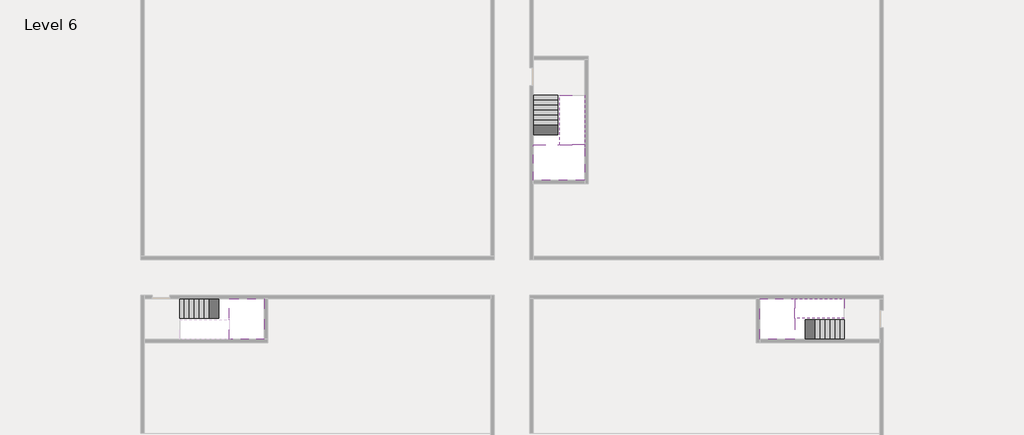
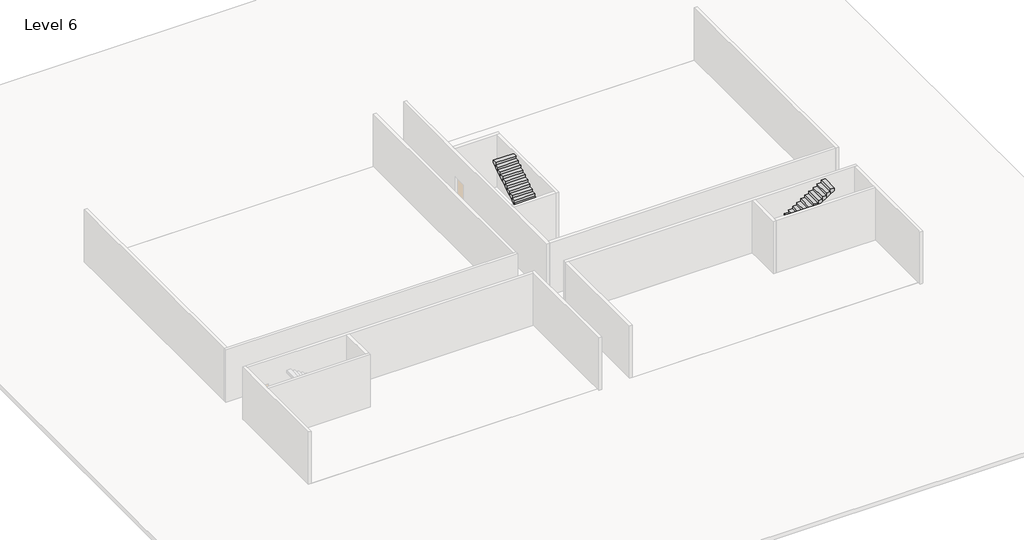
# One storey, part 2 of 2: 5 stair flights, 3 slabs.
"""IFC4 building model written with IfcOpenShell, lengths in millimetres."""

from ifc_helpers import new_model, si_unit, origin, place, context, project, spatial, faceted_brep, element, save

model = new_model("IFC4")

# Units and contexts
model_context = context("Model", 3, world=origin())
ifc_project = project(units=[si_unit("LENGTHUNIT", "METRE", prefix="MILLI")], contexts=[model_context])

# Site, building, storey
site = spatial("IfcSite", under=ifc_project)
building = spatial("IfcBuilding", under=site)
storey = spatial("IfcBuildingStorey", under=building, Name="Level 6", Elevation=19000.0)

# Slabs
placement = place(None, origin())
element("IfcSlab", 1, at=placement, inside=storey, context=model_context, shape_type="Brep", body=[
    faceted_brep([(8190.1058784, -42918.09644, 20900.0), (8190.1058784, -44018.09644, 20900.0), (8190.1058784, -44118.09644, 20900.0), (8190.1058784, -45218.09644, 20900.0), (8390.7194421, -45218.09644, 20900.0), (10190.1058784, -45218.09644, 20900.0), (10190.1058784, -42918.09644, 20900.0), (8269.4923146, -42918.09644, 20900.0), (8190.1058784, -42918.09644, 20727.2727273), (8190.1058784, -42918.09644, 20551.0278478), (8190.1058784, -44018.09644, 20551.0278478), (8190.1058784, -44018.09644, 20600.0), (8190.1058784, -44118.09644, 20600.0), (8190.1058784, -44118.09644, 20723.7551205), (8190.1058784, -45218.09644, 20723.7551205), (8390.7194421, -45218.09644, 20600.0), (10190.1058784, -45218.09644, 20600.0), (10190.1058784, -42918.09644, 20600.0), (8269.4923146, -42918.09644, 20600.0), (8390.7194421, -44118.09644, 20600.0), (8269.4923146, -44018.09644, 20600.0)], [[[0, 1, 2, 3, 4, 5, 6, 7]], [[1, 0, 8, 9, 10, 11]], [[2, 1, 11, 12, 13]], [[3, 2, 13, 14]], [[3, 14, 15, 16, 5, 4]], [[6, 5, 16, 17]], [[9, 8, 0, 7, 6, 17, 18]], [[19, 12, 11, 20, 18, 17, 16, 15]], [[12, 19, 13]], [[18, 20, 10, 9]], [[20, 11, 10]], [[19, 15, 14, 13]]]),
])
element("IfcSlab", 2, at=placement, inside=storey, context=model_context, shape_type="Brep", body=[
    faceted_brep([(40190.1058784, -45218.09644, 20900.0), (40190.1058784, -44118.09644, 20900.0), (40190.1058784, -44018.09644, 20900.0), (40190.1058784, -42918.09644, 20900.0), (39989.4923146, -42918.09644, 20900.0), (38190.1058784, -42918.09644, 20900.0), (38190.1058784, -45218.09644, 20900.0), (40110.7194421, -45218.09644, 20900.0), (40190.1058784, -45218.09644, 20727.2727273), (40190.1058784, -45218.09644, 20551.0278478), (40190.1058784, -44118.09644, 20551.0278478), (40190.1058784, -44118.09644, 20600.0), (40190.1058784, -44018.09644, 20600.0), (40190.1058784, -44018.09644, 20723.7551205), (40190.1058784, -42918.09644, 20723.7551205), (39989.4923146, -42918.09644, 20600.0), (38190.1058784, -42918.09644, 20600.0), (38190.1058784, -45218.09644, 20600.0), (40110.7194421, -45218.09644, 20600.0), (39989.4923146, -44018.09644, 20600.0), (40110.7194421, -44118.09644, 20600.0)], [[[0, 1, 2, 3, 4, 5, 6, 7]], [[1, 0, 8, 9, 10, 11]], [[2, 1, 11, 12, 13]], [[3, 2, 13, 14]], [[3, 14, 15, 16, 5, 4]], [[6, 5, 16, 17]], [[9, 8, 0, 7, 6, 17, 18]], [[19, 12, 11, 20, 18, 17, 16, 15]], [[12, 19, 13]], [[18, 20, 10, 9]], [[20, 11, 10]], [[19, 15, 14, 13]]]),
])
element("IfcSlab", 3, at=placement, inside=storey, context=model_context, shape_type="Brep", body=[
    faceted_brep([(26790.1058784, -34218.09644, 20900.0), (25390.1058784, -34218.09644, 20900.0), (25390.1058784, -34297.4828763, 20900.0), (25390.1058784, -36218.09644, 20900.0), (28290.1058784, -36218.09644, 20900.0), (28290.1058784, -34418.7100038, 20900.0), (28290.1058784, -34218.09644, 20900.0), (26890.1058784, -34218.09644, 20900.0), (26790.1058784, -34218.09644, 20600.0), (26790.1058784, -34218.09644, 20551.0278478), (25390.1058784, -34218.09644, 20551.0278478), (25390.1058784, -34218.09644, 20727.2727273), (25390.1058784, -34297.4828763, 20600.0), (25390.1058784, -36218.09644, 20600.0), (28290.1058784, -36218.09644, 20600.0), (28290.1058784, -34418.7100038, 20600.0), (28290.1058784, -34218.09644, 20723.7551205), (26890.1058784, -34218.09644, 20723.7551205), (26890.1058784, -34218.09644, 20600.0), (26890.1058784, -34418.7100038, 20600.0), (26790.1058784, -34297.4828763, 20600.0)], [[[0, 1, 2, 3, 4, 5, 6, 7]], [[1, 0, 8, 9, 10, 11]], [[1, 11, 10, 12, 13, 3, 2]], [[4, 3, 13, 14]], [[4, 14, 15, 16, 6, 5]], [[7, 6, 16, 17]], [[0, 7, 17, 18, 8]], [[18, 19, 15, 14, 13, 12, 20, 8]], [[19, 18, 17]], [[20, 12, 10, 9]], [[8, 20, 9]], [[15, 19, 17, 16]]]),
])

# Stair flights
element("IfcStairFlight", 4, at=placement, inside=storey, context=model_context, shape_type="Brep", body=[
    faceted_brep([(5670.1058784, -42918.09644, 19172.7272727), (5390.1058784, -42918.09644, 19172.7272727), (5390.1058784, -44018.09644, 19172.7272727), (5670.1058784, -44018.09644, 19172.7272727), (5670.1058784, -42918.09644, 19000.0), (5390.1058784, -42918.09644, 19000.0), (5390.1058784, -44018.09644, 19000.0), (5670.1058784, -44018.09644, 19000.0), (5950.1058784, -42918.09644, 19345.4545455), (5670.1058784, -42918.09644, 19345.4545455), (5670.1058784, -44018.09644, 19345.4545455), (5950.1058784, -44018.09644, 19345.4545455), (5950.1058784, -42918.09644, 19169.209666), (5675.8081041, -42918.09644, 19000.0), (5675.8081041, -44018.09644, 19000.0), (5950.1058784, -44018.09644, 19169.209666), (6230.1058784, -42918.09644, 19518.1818182), (5950.1058784, -42918.09644, 19518.1818182), (5950.1058784, -44018.09644, 19518.1818182), (6230.1058784, -44018.09644, 19518.1818182), (6230.1058784, -42918.09644, 19341.9369387), (6230.1058784, -44018.09644, 19341.9369387), (6510.1058784, -42918.09644, 19690.9090909), (6230.1058784, -42918.09644, 19690.9090909), (6230.1058784, -44018.09644, 19690.9090909), (6510.1058784, -44018.09644, 19690.9090909), (6510.1058784, -42918.09644, 19514.6642114), (6510.1058784, -44018.09644, 19514.6642114), (6790.1058784, -42918.09644, 19863.6363636), (6510.1058784, -42918.09644, 19863.6363636), (6510.1058784, -44018.09644, 19863.6363636), (6790.1058784, -44018.09644, 19863.6363636), (6790.1058784, -42918.09644, 19687.3914841), (6790.1058784, -44018.09644, 19687.3914841), (7070.1058784, -42918.09644, 20036.3636364), (6790.1058784, -42918.09644, 20036.3636364), (6790.1058784, -44018.09644, 20036.3636364), (7070.1058784, -44018.09644, 20036.3636364), (7070.1058784, -42918.09644, 19860.1187569), (7070.1058784, -44018.09644, 19860.1187569), (7350.1058784, -42918.09644, 20209.0909091), (7070.1058784, -42918.09644, 20209.0909091), (7070.1058784, -44018.09644, 20209.0909091), (7350.1058784, -44018.09644, 20209.0909091), (7350.1058784, -42918.09644, 20032.8460296), (7350.1058784, -44018.09644, 20032.8460296), (7630.1058784, -42918.09644, 20381.8181818), (7350.1058784, -42918.09644, 20381.8181818), (7350.1058784, -44018.09644, 20381.8181818), (7630.1058784, -44018.09644, 20381.8181818), (7630.1058784, -42918.09644, 20205.5733023), (7630.1058784, -44018.09644, 20205.5733023), (7910.1058784, -42918.09644, 20554.5454545), (7630.1058784, -42918.09644, 20554.5454545), (7630.1058784, -44018.09644, 20554.5454545), (7910.1058784, -44018.09644, 20554.5454545), (7910.1058784, -42918.09644, 20378.3005751), (7910.1058784, -44018.09644, 20378.3005751), (8190.1058784, -42918.09644, 20727.2727273), (7910.1058784, -42918.09644, 20727.2727273), (7910.1058784, -44018.09644, 20727.2727273), (8190.1058784, -44018.09644, 20727.2727273), (8190.1058784, -42918.09644, 20551.0278478), (8190.1058784, -44018.09644, 20551.0278478), (8190.1058784, -44018.09644, 20600.0)], [[[0, 1, 2, 3]], [[1, 0, 4, 5]], [[2, 1, 5, 6]], [[3, 2, 6, 7]], [[8, 9, 10, 11]], [[4, 0, 9, 8, 12, 13]], [[0, 3, 10, 9]], [[3, 7, 14, 15, 11, 10]], [[16, 17, 18, 19]], [[17, 16, 20, 12, 8]], [[8, 11, 18, 17]], [[19, 18, 11, 15, 21]], [[22, 23, 24, 25]], [[23, 22, 26, 20, 16]], [[16, 19, 24, 23]], [[25, 24, 19, 21, 27]], [[28, 29, 30, 31]], [[29, 28, 32, 26, 22]], [[22, 25, 30, 29]], [[31, 30, 25, 27, 33]], [[34, 35, 36, 37]], [[35, 34, 38, 32, 28]], [[28, 31, 36, 35]], [[37, 36, 31, 33, 39]], [[40, 41, 42, 43]], [[41, 40, 44, 38, 34]], [[34, 37, 42, 41]], [[43, 42, 37, 39, 45]], [[46, 47, 48, 49]], [[47, 46, 50, 44, 40]], [[40, 43, 48, 47]], [[49, 48, 43, 45, 51]], [[52, 53, 54, 55]], [[53, 52, 56, 50, 46]], [[46, 49, 54, 53]], [[55, 54, 49, 51, 57]], [[58, 59, 60, 61]], [[59, 58, 62, 56, 52]], [[52, 55, 60, 59]], [[61, 60, 55, 57, 63, 64]], [[58, 61, 64, 63, 62]], [[5, 4, 13, 14, 7, 6]], [[14, 13, 12, 20, 26, 32, 38, 44, 50, 56, 62, 63, 57, 51, 45, 39, 33, 27, 21, 15]]]),
])
element("IfcStairFlight", 5, at=placement, inside=storey, context=model_context, shape_type="Brep", body=[
    faceted_brep([(42710.1058784, -45218.09644, 19172.7272727), (42990.1058784, -45218.09644, 19172.7272727), (42990.1058784, -44118.09644, 19172.7272727), (42710.1058784, -44118.09644, 19172.7272727), (42710.1058784, -45218.09644, 19000.0), (42990.1058784, -45218.09644, 19000.0), (42990.1058784, -44118.09644, 19000.0), (42710.1058784, -44118.09644, 19000.0), (42430.1058784, -45218.09644, 19345.4545455), (42710.1058784, -45218.09644, 19345.4545455), (42710.1058784, -44118.09644, 19345.4545455), (42430.1058784, -44118.09644, 19345.4545455), (42430.1058784, -45218.09644, 19169.209666), (42704.4036527, -45218.09644, 19000.0), (42704.4036527, -44118.09644, 19000.0), (42430.1058784, -44118.09644, 19169.209666), (42150.1058784, -45218.09644, 19518.1818182), (42430.1058784, -45218.09644, 19518.1818182), (42430.1058784, -44118.09644, 19518.1818182), (42150.1058784, -44118.09644, 19518.1818182), (42150.1058784, -45218.09644, 19341.9369387), (42150.1058784, -44118.09644, 19341.9369387), (41870.1058784, -45218.09644, 19690.9090909), (42150.1058784, -45218.09644, 19690.9090909), (42150.1058784, -44118.09644, 19690.9090909), (41870.1058784, -44118.09644, 19690.9090909), (41870.1058784, -45218.09644, 19514.6642114), (41870.1058784, -44118.09644, 19514.6642114), (41590.1058784, -45218.09644, 19863.6363636), (41870.1058784, -45218.09644, 19863.6363636), (41870.1058784, -44118.09644, 19863.6363636), (41590.1058784, -44118.09644, 19863.6363636), (41590.1058784, -45218.09644, 19687.3914841), (41590.1058784, -44118.09644, 19687.3914841), (41310.1058784, -45218.09644, 20036.3636364), (41590.1058784, -45218.09644, 20036.3636364), (41590.1058784, -44118.09644, 20036.3636364), (41310.1058784, -44118.09644, 20036.3636364), (41310.1058784, -45218.09644, 19860.1187569), (41310.1058784, -44118.09644, 19860.1187569), (41030.1058784, -45218.09644, 20209.0909091), (41310.1058784, -45218.09644, 20209.0909091), (41310.1058784, -44118.09644, 20209.0909091), (41030.1058784, -44118.09644, 20209.0909091), (41030.1058784, -45218.09644, 20032.8460296), (41030.1058784, -44118.09644, 20032.8460296), (40750.1058784, -45218.09644, 20381.8181818), (41030.1058784, -45218.09644, 20381.8181818), (41030.1058784, -44118.09644, 20381.8181818), (40750.1058784, -44118.09644, 20381.8181818), (40750.1058784, -45218.09644, 20205.5733023), (40750.1058784, -44118.09644, 20205.5733023), (40470.1058784, -45218.09644, 20554.5454545), (40750.1058784, -45218.09644, 20554.5454545), (40750.1058784, -44118.09644, 20554.5454545), (40470.1058784, -44118.09644, 20554.5454545), (40470.1058784, -45218.09644, 20378.3005751), (40470.1058784, -44118.09644, 20378.3005751), (40190.1058784, -45218.09644, 20727.2727273), (40470.1058784, -45218.09644, 20727.2727273), (40470.1058784, -44118.09644, 20727.2727273), (40190.1058784, -44118.09644, 20727.2727273), (40190.1058784, -45218.09644, 20551.0278478), (40190.1058784, -44118.09644, 20551.0278478), (40190.1058784, -44118.09644, 20600.0)], [[[0, 1, 2, 3]], [[1, 0, 4, 5]], [[2, 1, 5, 6]], [[3, 2, 6, 7]], [[8, 9, 10, 11]], [[4, 0, 9, 8, 12, 13]], [[0, 3, 10, 9]], [[3, 7, 14, 15, 11, 10]], [[16, 17, 18, 19]], [[17, 16, 20, 12, 8]], [[8, 11, 18, 17]], [[19, 18, 11, 15, 21]], [[22, 23, 24, 25]], [[23, 22, 26, 20, 16]], [[16, 19, 24, 23]], [[25, 24, 19, 21, 27]], [[28, 29, 30, 31]], [[29, 28, 32, 26, 22]], [[22, 25, 30, 29]], [[31, 30, 25, 27, 33]], [[34, 35, 36, 37]], [[35, 34, 38, 32, 28]], [[28, 31, 36, 35]], [[37, 36, 31, 33, 39]], [[40, 41, 42, 43]], [[41, 40, 44, 38, 34]], [[34, 37, 42, 41]], [[43, 42, 37, 39, 45]], [[46, 47, 48, 49]], [[47, 46, 50, 44, 40]], [[40, 43, 48, 47]], [[49, 48, 43, 45, 51]], [[52, 53, 54, 55]], [[53, 52, 56, 50, 46]], [[46, 49, 54, 53]], [[55, 54, 49, 51, 57]], [[58, 59, 60, 61]], [[59, 58, 62, 56, 52]], [[52, 55, 60, 59]], [[61, 60, 55, 57, 63, 64]], [[58, 61, 64, 63, 62]], [[5, 4, 13, 14, 7, 6]], [[14, 13, 12, 20, 26, 32, 38, 44, 50, 56, 62, 63, 57, 51, 45, 39, 33, 27, 21, 15]]]),
])
element("IfcStairFlight", 6, at=placement, inside=storey, context=model_context, shape_type="Brep", body=[
    faceted_brep([(40470.1058784, -42918.09644, 21072.7272727), (40190.1058784, -42918.09644, 21072.7272727), (40190.1058784, -44018.09644, 21072.7272727), (40470.1058784, -44018.09644, 21072.7272727), (40470.1058784, -42918.09644, 20896.4823932), (40190.1058784, -42918.09644, 20723.7551205), (40190.1058784, -42918.09644, 20900.0), (40190.1058784, -44018.09644, 20723.7551205), (40470.1058784, -44018.09644, 20896.4823932), (40750.1058784, -42918.09644, 21245.4545455), (40470.1058784, -42918.09644, 21245.4545455), (40470.1058784, -44018.09644, 21245.4545455), (40750.1058784, -44018.09644, 21245.4545455), (40750.1058784, -42918.09644, 21069.209666), (40750.1058784, -44018.09644, 21069.209666), (41030.1058784, -42918.09644, 21418.1818182), (40750.1058784, -42918.09644, 21418.1818182), (40750.1058784, -44018.09644, 21418.1818182), (41030.1058784, -44018.09644, 21418.1818182), (41030.1058784, -42918.09644, 21241.9369387), (41030.1058784, -44018.09644, 21241.9369387), (41310.1058784, -42918.09644, 21590.9090909), (41030.1058784, -42918.09644, 21590.9090909), (41030.1058784, -44018.09644, 21590.9090909), (41310.1058784, -44018.09644, 21590.9090909), (41310.1058784, -42918.09644, 21414.6642114), (41310.1058784, -44018.09644, 21414.6642114), (41590.1058784, -42918.09644, 21763.6363636), (41310.1058784, -42918.09644, 21763.6363636), (41310.1058784, -44018.09644, 21763.6363636), (41590.1058784, -44018.09644, 21763.6363636), (41590.1058784, -42918.09644, 21587.3914841), (41590.1058784, -44018.09644, 21587.3914841), (41870.1058784, -42918.09644, 21936.3636364), (41590.1058784, -42918.09644, 21936.3636364), (41590.1058784, -44018.09644, 21936.3636364), (41870.1058784, -44018.09644, 21936.3636364), (41870.1058784, -42918.09644, 21760.1187569), (41870.1058784, -44018.09644, 21760.1187569), (42150.1058784, -42918.09644, 22109.0909091), (41870.1058784, -42918.09644, 22109.0909091), (41870.1058784, -44018.09644, 22109.0909091), (42150.1058784, -44018.09644, 22109.0909091), (42150.1058784, -42918.09644, 21932.8460296), (42150.1058784, -44018.09644, 21932.8460296), (42430.1058784, -42918.09644, 22281.8181818), (42150.1058784, -42918.09644, 22281.8181818), (42150.1058784, -44018.09644, 22281.8181818), (42430.1058784, -44018.09644, 22281.8181818), (42430.1058784, -42918.09644, 22105.5733023), (42430.1058784, -44018.09644, 22105.5733023), (42710.1058784, -42918.09644, 22454.5454545), (42430.1058784, -42918.09644, 22454.5454545), (42430.1058784, -44018.09644, 22454.5454545), (42710.1058784, -44018.09644, 22454.5454545), (42710.1058784, -42918.09644, 22278.3005751), (42710.1058784, -44018.09644, 22278.3005751), (42990.1058784, -42918.09644, 22627.2727273), (42710.1058784, -42918.09644, 22627.2727273), (42710.1058784, -44018.09644, 22627.2727273), (42990.1058784, -44018.09644, 22627.2727273), (42990.1058784, -42918.09644, 22451.0278478), (42990.1058784, -44018.09644, 22451.0278478)], [[[0, 1, 2, 3]], [[1, 0, 4, 5, 6]], [[2, 1, 6, 5, 7]], [[3, 2, 7, 8]], [[9, 10, 11, 12]], [[10, 9, 13, 4, 0]], [[11, 10, 0, 3]], [[12, 11, 3, 8, 14]], [[15, 16, 17, 18]], [[16, 15, 19, 13, 9]], [[17, 16, 9, 12]], [[18, 17, 12, 14, 20]], [[21, 22, 23, 24]], [[22, 21, 25, 19, 15]], [[23, 22, 15, 18]], [[24, 23, 18, 20, 26]], [[27, 28, 29, 30]], [[28, 27, 31, 25, 21]], [[29, 28, 21, 24]], [[30, 29, 24, 26, 32]], [[33, 34, 35, 36]], [[34, 33, 37, 31, 27]], [[35, 34, 27, 30]], [[36, 35, 30, 32, 38]], [[39, 40, 41, 42]], [[40, 39, 43, 37, 33]], [[41, 40, 33, 36]], [[42, 41, 36, 38, 44]], [[45, 46, 47, 48]], [[46, 45, 49, 43, 39]], [[47, 46, 39, 42]], [[48, 47, 42, 44, 50]], [[51, 52, 53, 54]], [[52, 51, 55, 49, 45]], [[53, 52, 45, 48]], [[54, 53, 48, 50, 56]], [[57, 58, 59, 60]], [[58, 57, 61, 55, 51]], [[59, 58, 51, 54]], [[60, 59, 54, 56, 62]], [[57, 60, 62, 61]], [[5, 4, 13, 19, 25, 31, 37, 43, 49, 55, 61, 62, 56, 50, 44, 38, 32, 26, 20, 14, 8, 7]]]),
])
element("IfcStairFlight", 7, at=placement, inside=storey, context=model_context, shape_type="Brep", body=[
    faceted_brep([(26790.1058784, -31698.09644, 19172.7272727), (26790.1058784, -31418.09644, 19172.7272727), (25390.1058784, -31418.09644, 19172.7272727), (25390.1058784, -31698.09644, 19172.7272727), (26790.1058784, -31698.09644, 19000.0), (26790.1058784, -31418.09644, 19000.0), (25390.1058784, -31418.09644, 19000.0), (25390.1058784, -31698.09644, 19000.0), (26790.1058784, -31978.09644, 19345.4545455), (26790.1058784, -31698.09644, 19345.4545455), (25390.1058784, -31698.09644, 19345.4545455), (25390.1058784, -31978.09644, 19345.4545455), (26790.1058784, -31978.09644, 19169.209666), (26790.1058784, -31703.7986657, 19000.0), (25390.1058784, -31703.7986657, 19000.0), (25390.1058784, -31978.09644, 19169.209666), (26790.1058784, -32258.09644, 19518.1818182), (26790.1058784, -31978.09644, 19518.1818182), (25390.1058784, -31978.09644, 19518.1818182), (25390.1058784, -32258.09644, 19518.1818182), (26790.1058784, -32258.09644, 19341.9369387), (25390.1058784, -32258.09644, 19341.9369387), (26790.1058784, -32538.09644, 19690.9090909), (26790.1058784, -32258.09644, 19690.9090909), (25390.1058784, -32258.09644, 19690.9090909), (25390.1058784, -32538.09644, 19690.9090909), (26790.1058784, -32538.09644, 19514.6642114), (25390.1058784, -32538.09644, 19514.6642114), (26790.1058784, -32818.09644, 19863.6363636), (26790.1058784, -32538.09644, 19863.6363636), (25390.1058784, -32538.09644, 19863.6363636), (25390.1058784, -32818.09644, 19863.6363636), (26790.1058784, -32818.09644, 19687.3914841), (25390.1058784, -32818.09644, 19687.3914841), (26790.1058784, -33098.09644, 20036.3636364), (26790.1058784, -32818.09644, 20036.3636364), (25390.1058784, -32818.09644, 20036.3636364), (25390.1058784, -33098.09644, 20036.3636364), (26790.1058784, -33098.09644, 19860.1187569), (25390.1058784, -33098.09644, 19860.1187569), (26790.1058784, -33378.09644, 20209.0909091), (26790.1058784, -33098.09644, 20209.0909091), (25390.1058784, -33098.09644, 20209.0909091), (25390.1058784, -33378.09644, 20209.0909091), (26790.1058784, -33378.09644, 20032.8460296), (25390.1058784, -33378.09644, 20032.8460296), (26790.1058784, -33658.09644, 20381.8181818), (26790.1058784, -33378.09644, 20381.8181818), (25390.1058784, -33378.09644, 20381.8181818), (25390.1058784, -33658.09644, 20381.8181818), (26790.1058784, -33658.09644, 20205.5733023), (25390.1058784, -33658.09644, 20205.5733023), (26790.1058784, -33938.09644, 20554.5454545), (26790.1058784, -33658.09644, 20554.5454545), (25390.1058784, -33658.09644, 20554.5454545), (25390.1058784, -33938.09644, 20554.5454545), (26790.1058784, -33938.09644, 20378.3005751), (25390.1058784, -33938.09644, 20378.3005751), (26790.1058784, -34218.09644, 20727.2727273), (26790.1058784, -33938.09644, 20727.2727273), (25390.1058784, -33938.09644, 20727.2727273), (25390.1058784, -34218.09644, 20727.2727273), (26790.1058784, -34218.09644, 20600.0), (26790.1058784, -34218.09644, 20551.0278478), (25390.1058784, -34218.09644, 20551.0278478)], [[[0, 1, 2, 3]], [[1, 0, 4, 5]], [[2, 1, 5, 6]], [[3, 2, 6, 7]], [[8, 9, 10, 11]], [[4, 0, 9, 8, 12, 13]], [[0, 3, 10, 9]], [[3, 7, 14, 15, 11, 10]], [[16, 17, 18, 19]], [[17, 16, 20, 12, 8]], [[8, 11, 18, 17]], [[19, 18, 11, 15, 21]], [[22, 23, 24, 25]], [[23, 22, 26, 20, 16]], [[16, 19, 24, 23]], [[25, 24, 19, 21, 27]], [[28, 29, 30, 31]], [[29, 28, 32, 26, 22]], [[22, 25, 30, 29]], [[31, 30, 25, 27, 33]], [[34, 35, 36, 37]], [[35, 34, 38, 32, 28]], [[28, 31, 36, 35]], [[37, 36, 31, 33, 39]], [[40, 41, 42, 43]], [[41, 40, 44, 38, 34]], [[34, 37, 42, 41]], [[43, 42, 37, 39, 45]], [[46, 47, 48, 49]], [[47, 46, 50, 44, 40]], [[40, 43, 48, 47]], [[49, 48, 43, 45, 51]], [[52, 53, 54, 55]], [[53, 52, 56, 50, 46]], [[46, 49, 54, 53]], [[55, 54, 49, 51, 57]], [[58, 59, 60, 61]], [[59, 58, 62, 63, 56, 52]], [[52, 55, 60, 59]], [[61, 60, 55, 57, 64]], [[58, 61, 64, 63, 62]], [[5, 4, 13, 14, 7, 6]], [[14, 13, 12, 20, 26, 32, 38, 44, 50, 56, 63, 64, 57, 51, 45, 39, 33, 27, 21, 15]]]),
])
element("IfcStairFlight", 8, at=placement, inside=storey, context=model_context, shape_type="Brep", body=[
    faceted_brep([(26890.1058784, -33938.09644, 21072.7272727), (26890.1058784, -34218.09644, 21072.7272727), (28290.1058784, -34218.09644, 21072.7272727), (28290.1058784, -33938.09644, 21072.7272727), (26890.1058784, -33938.09644, 20896.4823932), (26890.1058784, -34218.09644, 20723.7551205), (28290.1058784, -34218.09644, 20723.7551205), (28290.1058784, -34218.09644, 20900.0), (28290.1058784, -33938.09644, 20896.4823932), (26890.1058784, -33658.09644, 21245.4545455), (26890.1058784, -33938.09644, 21245.4545455), (28290.1058784, -33938.09644, 21245.4545455), (28290.1058784, -33658.09644, 21245.4545455), (26890.1058784, -33658.09644, 21069.209666), (28290.1058784, -33658.09644, 21069.209666), (26890.1058784, -33378.09644, 21418.1818182), (26890.1058784, -33658.09644, 21418.1818182), (28290.1058784, -33658.09644, 21418.1818182), (28290.1058784, -33378.09644, 21418.1818182), (26890.1058784, -33378.09644, 21241.9369387), (28290.1058784, -33378.09644, 21241.9369387), (26890.1058784, -33098.09644, 21590.9090909), (26890.1058784, -33378.09644, 21590.9090909), (28290.1058784, -33378.09644, 21590.9090909), (28290.1058784, -33098.09644, 21590.9090909), (26890.1058784, -33098.09644, 21414.6642114), (28290.1058784, -33098.09644, 21414.6642114), (26890.1058784, -32818.09644, 21763.6363636), (26890.1058784, -33098.09644, 21763.6363636), (28290.1058784, -33098.09644, 21763.6363636), (28290.1058784, -32818.09644, 21763.6363636), (26890.1058784, -32818.09644, 21587.3914841), (28290.1058784, -32818.09644, 21587.3914841), (26890.1058784, -32538.09644, 21936.3636364), (26890.1058784, -32818.09644, 21936.3636364), (28290.1058784, -32818.09644, 21936.3636364), (28290.1058784, -32538.09644, 21936.3636364), (26890.1058784, -32538.09644, 21760.1187569), (28290.1058784, -32538.09644, 21760.1187569), (26890.1058784, -32258.09644, 22109.0909091), (26890.1058784, -32538.09644, 22109.0909091), (28290.1058784, -32538.09644, 22109.0909091), (28290.1058784, -32258.09644, 22109.0909091), (26890.1058784, -32258.09644, 21932.8460296), (28290.1058784, -32258.09644, 21932.8460296), (26890.1058784, -31978.09644, 22281.8181818), (26890.1058784, -32258.09644, 22281.8181818), (28290.1058784, -32258.09644, 22281.8181818), (28290.1058784, -31978.09644, 22281.8181818), (26890.1058784, -31978.09644, 22105.5733023), (28290.1058784, -31978.09644, 22105.5733023), (26890.1058784, -31698.09644, 22454.5454545), (26890.1058784, -31978.09644, 22454.5454545), (28290.1058784, -31978.09644, 22454.5454545), (28290.1058784, -31698.09644, 22454.5454545), (26890.1058784, -31698.09644, 22278.3005751), (28290.1058784, -31698.09644, 22278.3005751), (26890.1058784, -31418.09644, 22627.2727273), (26890.1058784, -31698.09644, 22627.2727273), (28290.1058784, -31698.09644, 22627.2727273), (28290.1058784, -31418.09644, 22627.2727273), (26890.1058784, -31418.09644, 22451.0278478), (28290.1058784, -31418.09644, 22451.0278478)], [[[0, 1, 2, 3]], [[1, 0, 4, 5]], [[2, 1, 5, 6, 7]], [[3, 2, 7, 6, 8]], [[9, 10, 11, 12]], [[10, 9, 13, 4, 0]], [[11, 10, 0, 3]], [[12, 11, 3, 8, 14]], [[15, 16, 17, 18]], [[16, 15, 19, 13, 9]], [[17, 16, 9, 12]], [[18, 17, 12, 14, 20]], [[21, 22, 23, 24]], [[22, 21, 25, 19, 15]], [[23, 22, 15, 18]], [[24, 23, 18, 20, 26]], [[27, 28, 29, 30]], [[28, 27, 31, 25, 21]], [[29, 28, 21, 24]], [[30, 29, 24, 26, 32]], [[33, 34, 35, 36]], [[34, 33, 37, 31, 27]], [[35, 34, 27, 30]], [[36, 35, 30, 32, 38]], [[39, 40, 41, 42]], [[40, 39, 43, 37, 33]], [[41, 40, 33, 36]], [[42, 41, 36, 38, 44]], [[45, 46, 47, 48]], [[46, 45, 49, 43, 39]], [[47, 46, 39, 42]], [[48, 47, 42, 44, 50]], [[51, 52, 53, 54]], [[52, 51, 55, 49, 45]], [[53, 52, 45, 48]], [[54, 53, 48, 50, 56]], [[57, 58, 59, 60]], [[58, 57, 61, 55, 51]], [[59, 58, 51, 54]], [[60, 59, 54, 56, 62]], [[57, 60, 62, 61]], [[5, 4, 13, 19, 25, 31, 37, 43, 49, 55, 61, 62, 56, 50, 44, 38, 32, 26, 20, 14, 8, 6]]]),
])

save(model, "model.ifc")
